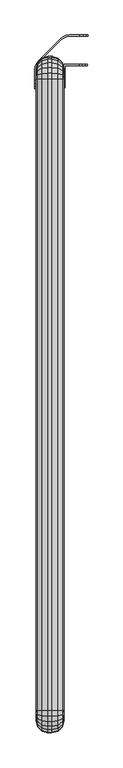
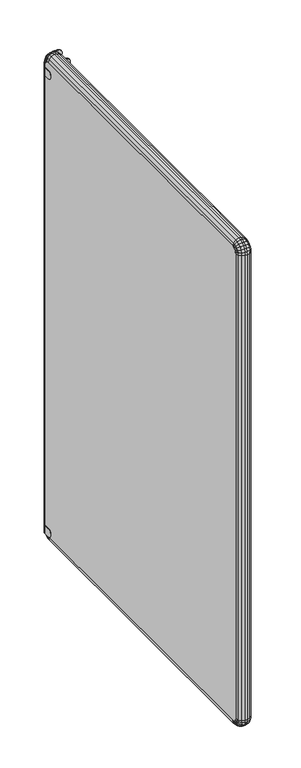
"""IFC4 building model written with IfcOpenShell, lengths in millimetres: furniture geometry."""

from ifc_helpers import new_model, si_unit, origin, place, context, project, spatial, triangles, source, transform, mapped, element, save


def furniture_b19002c7(model_context):
    return source(origin(), model_context, "Body", "Tessellation", [
        triangles([(730.399264, 1672.6846914, 1774.9999409), (730.399264, 1645.9347253, 1745.0000278), (730.399264, 1645.9347253, 1774.9999409), (730.399264, 1631.3106907, 1763.3380074), (730.399264, 1634.2077522, 1769.3520298), (730.399264, 1672.6846914, 1745.0000278), (730.399264, 1639.4266924, 1746.4849663), (730.399264, 1634.2077522, 1750.6479389), (730.399264, 1631.3106907, 1756.6619614), (730.399264, 1639.4266924, 1773.5150024), (757.14923, 1670.6847408, 1774.9999409), (757.14923, 1672.6846914, 1774.9999409), (732.3992873, 1670.6847408, 1774.9999409), (732.3992873, 1645.9347253, 1774.9999409), (757.14923, 1672.6846914, 1745.0000278), (771.7731921, 1672.6846914, 1763.3380074), (768.8762759, 1672.6846914, 1769.3520298), (763.657263, 1672.6846914, 1773.5150024), (771.7731921, 1672.6846914, 1756.6619614), (768.8762759, 1672.6846914, 1750.6479389), (763.657263, 1672.6846914, 1746.4849663), (757.14923, 1670.6847408, 1745.0000278), (771.7731921, 1670.6847408, 1763.3380074), (768.8762759, 1670.6847408, 1769.3520298), (732.3992873, 1670.6847408, 1745.0000278), (763.657263, 1670.6847408, 1746.4849663), (768.8762759, 1670.6847408, 1750.6479389), (771.7731921, 1670.6847408, 1756.6619614), (763.657263, 1670.6847408, 1773.5150024), (732.3992873, 1645.9347253, 1745.0000278), (732.3992873, 1631.3106907, 1763.3380074), (732.3992873, 1634.2077522, 1769.3520298), (732.3992873, 1639.4266924, 1773.5150024), (732.3992873, 1631.3106907, 1756.6619614), (732.3992873, 1634.2077522, 1750.6479389), (732.3992873, 1639.4266924, 1746.4849663), (730.399264, 1672.6846914, 80.0000042), (730.399264, 1645.9347253, 50.0000004), (730.399264, 1645.9347253, 80.0000042), (730.399264, 1631.3106907, 68.3379981), (730.399264, 1634.2077522, 74.3519978), (730.399264, 1672.6846914, 50.0000004), (730.399264, 1639.4266924, 51.4849979), (730.399264, 1634.2077522, 55.6479977), (730.399264, 1631.3106907, 61.662002), (730.399264, 1639.4266924, 78.5150022), (757.14923, 1670.6847408, 80.0000042), (757.14923, 1672.6846914, 80.0000042), (732.3992873, 1670.6847408, 80.0000042), (732.3992873, 1645.9347253, 80.0000042), (757.14923, 1672.6846914, 50.0000004), (771.7731921, 1672.6846914, 68.3379981), (768.8762759, 1672.6846914, 74.3519978), (763.657263, 1672.6846914, 78.5150022), (771.7731921, 1672.6846914, 61.662002), (768.8762759, 1672.6846914, 55.6479977), (763.657263, 1672.6846914, 51.4849979), (757.14923, 1670.6847408, 50.0000004), (771.7731921, 1670.6847408, 68.3379981), (768.8762759, 1670.6847408, 74.3519978), (732.3992873, 1670.6847408, 50.0000004), (763.657263, 1670.6847408, 51.4849979), (768.8762759, 1670.6847408, 55.6479977), (771.7731921, 1670.6847408, 61.662002), (763.657263, 1670.6847408, 78.5150022), (732.3992873, 1645.9347253, 50.0000004), (732.3992873, 1631.3106907, 68.3379981), (732.3992873, 1634.2077522, 74.3519978), (732.3992873, 1639.4266924, 78.5150022), (732.3992873, 1631.3106907, 61.662002), (732.3992873, 1634.2077522, 55.6479977), (732.3992873, 1639.4266924, 51.4849979), (728.3332564, 1721.3357189, 50.0000004), (729.1612582, 1719.3356956, 50.0000004), (723.1552294, 1717.3627056, 50.0000004), (723.9842486, 1715.362755, 50.0000004), (685.7213225, 1679.928726, 50.0000004), (687.7212004, 1679.0997068, 50.0000004), (683.7481871, 1673.9226972, 50.0000004), (735.191268, 1721.8327089, 50.0000004), (734.3622488, 1723.8327322, 50.0000004), (740.8332201, 1724.684715, 50.0000004), (741.6612219, 1722.6846918, 50.0000004), (758.5472552, 1724.684715, 50.0000004), (758.5472552, 1722.6846918, 50.0000004), (681.2512465, 1667.8927601, 50.0000004), (679.2512232, 1668.7217065, 50.0000004), (681.7483092, 1674.750699, 50.0000004), (678.3992403, 1662.2507353, 50.0000004), (680.3992636, 1661.4227335, 50.0000004), (678.3992403, 1644.5367002, 50.0000004), (680.3992636, 1644.5367002, 50.0000004), (740.8332201, 1724.684715, 80.0000042), (734.3622488, 1723.8327322, 80.0000042), (723.1552294, 1717.3627056, 80.0000042), (728.3332564, 1721.3357189, 80.0000042), (773.1712899, 1724.684715, 61.662002), (770.2753184, 1724.684715, 55.6479977), (773.1712899, 1724.684715, 68.3379981), (758.5472552, 1724.684715, 80.0000042), (770.2753184, 1724.684715, 74.3519978), (765.0552882, 1724.684715, 78.5150022), (765.0552882, 1724.684715, 51.4849979), (765.0552882, 1722.6846918, 51.4849979), (770.2753184, 1722.6846918, 55.6479977), (773.1712899, 1722.6846918, 61.662002), (773.1712899, 1722.6846918, 68.3379981), (770.2753184, 1722.6846918, 74.3519978), (765.0552882, 1722.6846918, 78.5150022), (758.5472552, 1722.6846918, 80.0000042), (741.6612219, 1722.6846918, 80.0000042), (723.9842486, 1715.362755, 80.0000042), (729.1612582, 1719.3356956, 80.0000042), (735.191268, 1721.8327089, 80.0000042), (687.7212004, 1679.0997068, 80.0000042), (680.3992636, 1661.4227335, 80.0000042), (681.2512465, 1667.8927601, 80.0000042), (683.7481871, 1673.9226972, 80.0000042), (680.3992636, 1629.9127382, 61.662002), (680.3992636, 1632.8097271, 55.6479977), (680.3992636, 1629.9127382, 68.3379981), (680.3992636, 1644.5367002, 80.0000042), (680.3992636, 1632.8097271, 74.3519978), (680.3992636, 1638.0287399, 78.5150022), (680.3992636, 1638.0287399, 51.4849979), (678.3992403, 1638.0287399, 51.4849979), (678.3992403, 1632.8097271, 55.6479977), (678.3992403, 1629.9127382, 61.662002), (678.3992403, 1629.9127382, 68.3379981), (678.3992403, 1632.8097271, 74.3519978), (678.3992403, 1638.0287399, 78.5150022), (678.3992403, 1644.5367002, 80.0000042), (678.3992403, 1662.2507353, 80.0000042), (685.7213225, 1679.928726, 80.0000042), (681.7483092, 1674.750699, 80.0000042), (679.2512232, 1668.7217065, 80.0000042), (728.3332564, 1721.3357189, 1745.0000278), (729.1612582, 1719.3356956, 1745.0000278), (723.1552294, 1717.3627056, 1745.0000278), (723.9842486, 1715.362755, 1745.0000278), (685.7213225, 1679.928726, 1745.0000278), (687.7212004, 1679.0997068, 1745.0000278), (683.7481871, 1673.9226972, 1745.0000278), (735.191268, 1721.8327089, 1745.0000278), (734.3622488, 1723.8327322, 1745.0000278), (740.8332201, 1724.684715, 1745.0000278), (741.6612219, 1722.6846918, 1745.0000278), (758.5472552, 1724.684715, 1745.0000278), (758.5472552, 1722.6846918, 1745.0000278), (681.2512465, 1667.8927601, 1745.0000278), (679.2512232, 1668.7217065, 1745.0000278), (681.7483092, 1674.750699, 1745.0000278), (678.3992403, 1662.2507353, 1745.0000278), (680.3992636, 1661.4227335, 1745.0000278), (678.3992403, 1644.5367002, 1745.0000278), (680.3992636, 1644.5367002, 1745.0000278), (740.8332201, 1724.684715, 1774.9999409), (734.3622488, 1723.8327322, 1774.9999409), (723.1552294, 1717.3627056, 1774.9999409), (728.3332564, 1721.3357189, 1774.9999409), (773.1712899, 1724.684715, 1756.6619614), (770.2753184, 1724.684715, 1750.6479389), (773.1712899, 1724.684715, 1763.3380074), (758.5472552, 1724.684715, 1774.9999409), (770.2753184, 1724.684715, 1769.3520298), (765.0552882, 1724.684715, 1773.5150024), (765.0552882, 1724.684715, 1746.4849663), (765.0552882, 1722.6846918, 1746.4849663), (770.2753184, 1722.6846918, 1750.6479389), (773.1712899, 1722.6846918, 1756.6619614), (773.1712899, 1722.6846918, 1763.3380074), (770.2753184, 1722.6846918, 1769.3520298), (765.0552882, 1722.6846918, 1773.5150024), (758.5472552, 1722.6846918, 1774.9999409), (741.6612219, 1722.6846918, 1774.9999409), (723.9842486, 1715.362755, 1774.9999409), (729.1612582, 1719.3356956, 1774.9999409), (735.191268, 1721.8327089, 1774.9999409), (687.7212004, 1679.0997068, 1774.9999409), (680.3992636, 1661.4227335, 1774.9999409), (681.2512465, 1667.8927601, 1774.9999409), (683.7481871, 1673.9226972, 1774.9999409), (680.3992636, 1629.9127382, 1756.6619614), (680.3992636, 1632.8097271, 1750.6479389), (680.3992636, 1629.9127382, 1763.3380074), (680.3992636, 1644.5367002, 1774.9999409), (680.3992636, 1632.8097271, 1769.3520298), (680.3992636, 1638.0287399, 1773.5150024), (680.3992636, 1638.0287399, 1746.4849663), (678.3992403, 1638.0287399, 1746.4849663), (678.3992403, 1632.8097271, 1750.6479389), (678.3992403, 1629.9127382, 1756.6619614), (678.3992403, 1629.9127382, 1763.3380074), (678.3992403, 1632.8097271, 1769.3520298), (678.3992403, 1638.0287399, 1773.5150024), (678.3992403, 1644.5367002, 1774.9999409), (678.3992403, 1662.2507353, 1774.9999409), (685.7213225, 1679.928726, 1774.9999409), (681.7483092, 1674.750699, 1774.9999409), (679.2512232, 1668.7217065, 1774.9999409)], [[1, 2, 3], [3, 2, 4], [3, 4, 5], [1, 6, 2], [2, 7, 8], [2, 8, 9], [2, 9, 4], [5, 10, 3], [11, 12, 13], [1, 13, 12], [3, 13, 1], [3, 14, 13], [6, 1, 15], [15, 1, 12], [15, 12, 16], [16, 12, 17], [17, 12, 18], [16, 19, 15], [15, 19, 20], [15, 20, 21], [13, 22, 11], [11, 22, 23], [11, 23, 24], [13, 25, 22], [22, 26, 27], [22, 27, 28], [22, 28, 23], [24, 29, 11], [25, 13, 30], [30, 13, 14], [30, 14, 31], [31, 14, 32], [32, 14, 33], [31, 34, 30], [30, 34, 35], [30, 35, 36], [15, 21, 22], [22, 21, 26], [26, 21, 20], [26, 20, 27], [27, 20, 19], [27, 19, 28], [28, 19, 16], [28, 16, 23], [23, 16, 17], [23, 17, 24], [24, 17, 18], [24, 18, 29], [29, 18, 11], [11, 18, 12], [30, 36, 2], [2, 36, 7], [7, 36, 35], [7, 35, 8], [8, 35, 34], [8, 34, 9], [9, 34, 31], [9, 31, 4], [4, 31, 32], [4, 32, 5], [5, 32, 33], [5, 33, 10], [10, 33, 3], [3, 33, 14], [2, 6, 25], [15, 25, 6], [25, 15, 22], [25, 30, 2], [37, 38, 39], [39, 38, 40], [39, 40, 41], [37, 42, 38], [38, 43, 44], [38, 44, 45], [38, 45, 40], [41, 46, 39], [47, 48, 49], [37, 49, 48], [39, 49, 37], [39, 50, 49], [42, 37, 51], [51, 37, 48], [51, 48, 52], [52, 48, 53], [53, 48, 54], [52, 55, 51], [51, 55, 56], [51, 56, 57], [49, 58, 47], [47, 58, 59], [47, 59, 60], [49, 61, 58], [58, 62, 63], [58, 63, 64], [58, 64, 59], [60, 65, 47], [61, 49, 66], [66, 49, 50], [66, 50, 67], [67, 50, 68], [68, 50, 69], [67, 70, 66], [66, 70, 71], [66, 71, 72], [51, 57, 58], [58, 57, 62], [62, 57, 56], [62, 56, 63], [63, 56, 55], [63, 55, 64], [64, 55, 52], [64, 52, 59], [59, 52, 53], [59, 53, 60], [60, 53, 54], [60, 54, 65], [65, 54, 47], [47, 54, 48], [66, 72, 38], [38, 72, 43], [43, 72, 71], [43, 71, 44], [44, 71, 70], [44, 70, 45], [45, 70, 67], [45, 67, 40], [40, 67, 68], [40, 68, 41], [41, 68, 69], [41, 69, 46], [46, 69, 39], [39, 69, 50], [38, 42, 61], [51, 61, 42], [61, 51, 58], [61, 66, 38], [73, 74, 75], [75, 74, 76], [75, 76, 77], [77, 76, 78], [77, 78, 79], [74, 73, 80], [80, 73, 81], [80, 81, 82], [80, 82, 83], [84, 83, 82], [83, 84, 85], [86, 87, 79], [79, 87, 88], [79, 88, 77], [87, 86, 89], [89, 86, 90], [89, 90, 91], [91, 90, 92], [93, 82, 94], [94, 82, 81], [94, 81, 73], [75, 95, 73], [73, 95, 96], [73, 96, 94], [82, 93, 84], [84, 93, 97], [84, 97, 98], [97, 93, 99], [99, 93, 100], [99, 100, 101], [101, 100, 102], [98, 103, 84], [85, 84, 104], [104, 84, 103], [104, 103, 98], [104, 98, 105], [105, 98, 97], [105, 97, 106], [106, 97, 99], [106, 99, 107], [107, 99, 101], [107, 101, 108], [108, 101, 102], [108, 102, 109], [109, 102, 100], [109, 100, 110], [83, 85, 111], [111, 85, 110], [110, 85, 109], [109, 85, 104], [109, 104, 105], [105, 106, 109], [109, 106, 107], [109, 107, 108], [112, 76, 113], [113, 76, 74], [113, 74, 80], [83, 111, 80], [80, 111, 114], [80, 114, 113], [78, 76, 115], [115, 76, 112], [116, 90, 117], [117, 90, 86], [117, 86, 79], [78, 115, 79], [79, 115, 118], [79, 118, 117], [90, 116, 92], [92, 116, 119], [92, 119, 120], [119, 116, 121], [121, 116, 122], [121, 122, 123], [123, 122, 124], [120, 125, 92], [91, 92, 126], [126, 92, 125], [126, 125, 120], [126, 120, 127], [127, 120, 119], [127, 119, 128], [128, 119, 121], [128, 121, 129], [129, 121, 123], [129, 123, 130], [130, 123, 124], [130, 124, 131], [131, 124, 122], [131, 122, 132], [89, 91, 133], [133, 91, 132], [132, 91, 131], [131, 91, 126], [131, 126, 127], [127, 128, 131], [131, 128, 129], [131, 129, 130], [134, 77, 135], [135, 77, 88], [135, 88, 87], [89, 133, 87], [87, 133, 136], [87, 136, 135], [75, 77, 95], [95, 77, 134], [94, 114, 93], [93, 114, 111], [93, 111, 100], [100, 111, 110], [114, 94, 96], [114, 96, 113], [113, 96, 95], [113, 95, 112], [134, 112, 95], [112, 134, 115], [115, 134, 118], [118, 134, 135], [118, 135, 136], [118, 136, 117], [117, 136, 133], [117, 133, 116], [132, 116, 133], [116, 132, 122], [137, 138, 139], [139, 138, 140], [139, 140, 141], [141, 140, 142], [141, 142, 143], [138, 137, 144], [144, 137, 145], [144, 145, 146], [144, 146, 147], [148, 147, 146], [147, 148, 149], [150, 151, 143], [143, 151, 152], [143, 152, 141], [151, 150, 153], [153, 150, 154], [153, 154, 155], [155, 154, 156], [157, 146, 158], [158, 146, 145], [158, 145, 137], [139, 159, 137], [137, 159, 160], [137, 160, 158], [146, 157, 148], [148, 157, 161], [148, 161, 162], [161, 157, 163], [163, 157, 164], [163, 164, 165], [165, 164, 166], [162, 167, 148], [149, 148, 168], [168, 148, 167], [168, 167, 162], [168, 162, 169], [169, 162, 161], [169, 161, 170], [170, 161, 163], [170, 163, 171], [171, 163, 165], [171, 165, 172], [172, 165, 166], [172, 166, 173], [173, 166, 164], [173, 164, 174], [147, 149, 175], [175, 149, 174], [174, 149, 173], [173, 149, 168], [173, 168, 169], [169, 170, 173], [173, 170, 171], [173, 171, 172], [176, 140, 177], [177, 140, 138], [177, 138, 144], [147, 175, 144], [144, 175, 178], [144, 178, 177], [142, 140, 179], [179, 140, 176], [180, 154, 181], [181, 154, 150], [181, 150, 143], [142, 179, 143], [143, 179, 182], [143, 182, 181], [154, 180, 156], [156, 180, 183], [156, 183, 184], [183, 180, 185], [185, 180, 186], [185, 186, 187], [187, 186, 188], [184, 189, 156], [155, 156, 190], [190, 156, 189], [190, 189, 184], [190, 184, 191], [191, 184, 183], [191, 183, 192], [192, 183, 185], [192, 185, 193], [193, 185, 187], [193, 187, 194], [194, 187, 188], [194, 188, 195], [195, 188, 186], [195, 186, 196], [153, 155, 197], [197, 155, 196], [196, 155, 195], [195, 155, 190], [195, 190, 191], [191, 192, 195], [195, 192, 193], [195, 193, 194], [198, 141, 199], [199, 141, 152], [199, 152, 151], [153, 197, 151], [151, 197, 200], [151, 200, 199], [139, 141, 159], [159, 141, 198], [158, 178, 157], [157, 178, 175], [157, 175, 164], [164, 175, 174], [178, 158, 160], [178, 160, 177], [177, 160, 159], [177, 159, 176], [198, 176, 159], [176, 198, 179], [179, 198, 182], [182, 198, 199], [182, 199, 200], [182, 200, 181], [181, 200, 197], [181, 197, 180], [196, 180, 197], [180, 196, 186]]),
        triangles([(702.3992289, 1686.6367468, 64.9999978), (708.3992987, 1686.6367468, 64.9999978), (702.3992289, 1685.2737486, 54.6470005), (708.3992987, 1685.2737486, 54.6470005), (702.3992289, 1681.2776989, 45.0000013), (708.3992987, 1681.2776989, 45.0000013), (702.3992289, 1674.9207468, 36.7160002), (708.3992987, 1674.9207468, 36.7160002), (702.3992289, 1666.6367321, 30.3590004), (708.3992987, 1666.6367321, 30.3590004), (702.3992289, 1656.9897192, 26.3630007), (708.3992987, 1656.9897192, 26.3630007), (702.3992289, 1646.6367174, 25.0000002), (708.3992987, 1646.6367174, 25.0000002), (691.3993189, 1683.6896883, 64.9999978), (691.3993189, 1682.4267566, 55.409999), (691.3993189, 1678.7247297, 46.4739983), (691.3993189, 1672.836717, 38.7999982), (691.3993189, 1665.1626941, 32.9119991), (691.3993189, 1656.226757, 29.2099994), (691.3993189, 1646.6367174, 27.9469996), (683.3463221, 1675.6366914, 64.9999978), (683.3463221, 1674.648743, 57.4940015), (683.3463221, 1671.7517542, 50.5000017), (683.3463221, 1667.1427332, 44.4940002), (683.3463221, 1661.1367044, 39.8850019), (683.3463221, 1654.1427272, 36.9879994), (683.3463221, 1646.6367174, 36.000001), (680.3992636, 1664.6367088, 64.9999978), (680.3992636, 1664.0237375, 60.340998), (680.3992636, 1661.4326893, 54.968002), (680.3992636, 1654.4347152, 48.914002), (680.3992636, 1646.6367174, 47.0000018), (727.4522055, 1675.6366914, 64.9999978), (730.399264, 1664.6367088, 64.9999978), (727.4522055, 1674.648743, 57.4940015), (730.399264, 1662.7227268, 57.2019999), (727.4522055, 1671.7517542, 50.5000017), (727.4522055, 1667.1427332, 44.4940002), (730.399264, 1656.6687359, 50.2039986), (727.4522055, 1661.1367044, 39.8850019), (727.4522055, 1654.1427272, 36.9879994), (730.399264, 1646.6936906, 47.0070008), (727.4522055, 1646.6367174, 36.000001), (719.3992087, 1683.6896883, 64.9999978), (719.3992087, 1682.4267566, 55.409999), (719.3992087, 1678.7247297, 46.4739983), (719.3992087, 1672.836717, 38.7999982), (719.3992087, 1665.1626941, 32.9119991), (719.3992087, 1656.226757, 29.2099994), (719.3992087, 1646.6367174, 27.9469996), (702.3992289, 1686.6367468, 1785.0000572), (708.3992987, 1686.6367468, 1785.0000572), (691.3993189, 1683.6896883, 1785.0000572), (683.3463221, 1675.6366914, 1785.0000572), (680.3992636, 1664.6367088, 1785.0000572), (727.4522055, 1675.6366914, 1785.0000572), (730.399264, 1664.6367088, 1785.0000572), (719.3992087, 1683.6896883, 1785.0000572), (702.3992289, 1646.6367174, 1824.9999413), (708.3992987, 1646.6367174, 1824.9999413), (702.3992289, 1656.9897192, 1823.6369431), (708.3992987, 1656.9897192, 1823.6369431), (702.3992289, 1666.6367321, 1819.640966), (708.3992987, 1666.6367321, 1819.640966), (702.3992289, 1674.9207468, 1813.2839413), (708.3992987, 1674.9207468, 1813.2839413), (702.3992289, 1681.2776989, 1804.9999992), (708.3992987, 1681.2776989, 1804.9999992), (702.3992289, 1685.2737486, 1795.353059), (708.3992987, 1685.2737486, 1795.353059), (691.3993189, 1646.6367174, 1822.0530281), (691.3993189, 1656.226757, 1820.7900238), (691.3993189, 1665.1626941, 1817.0889416), (691.3993189, 1672.836717, 1811.2000568), (691.3993189, 1678.7247297, 1803.5259613), (691.3993189, 1682.4267566, 1794.5900242), (683.3463221, 1646.6367174, 1814.0000313), (683.3463221, 1654.1427272, 1813.0120102), (683.3463221, 1661.1367044, 1810.1149487), (683.3463221, 1667.1427332, 1805.5059277), (683.3463221, 1671.7517542, 1799.5000443), (683.3463221, 1674.648743, 1792.5059944), (680.3992636, 1646.6367174, 1802.999976), (680.3992636, 1652.4976968, 1801.8889973), (680.3992636, 1660.1567497, 1796.6949829), (680.3992636, 1664.0237375, 1789.6589298), (727.4522055, 1646.6367174, 1814.0000313), (730.399264, 1646.6367174, 1802.999976), (727.4522055, 1654.1427272, 1813.0120102), (730.399264, 1654.4347152, 1801.085994), (727.4522055, 1661.1367044, 1810.1149487), (727.4522055, 1667.1427332, 1805.5059277), (730.399264, 1661.4326893, 1795.032003), (727.4522055, 1671.7517542, 1799.5000443), (727.4522055, 1674.648743, 1792.5059944), (730.399264, 1664.0237375, 1789.6589298), (719.3992087, 1646.6367174, 1822.0530281), (719.3992087, 1656.226757, 1820.7900238), (719.3992087, 1665.1626941, 1817.0889416), (719.3992087, 1672.836717, 1811.2000568), (719.3992087, 1678.7247297, 1803.5259613), (719.3992087, 1682.4267566, 1794.5900242), (702.3992289, 526.6367306, 1824.9999413), (708.3992987, 526.6367306, 1824.9999413), (691.3993189, 526.6367306, 1822.0530281), (683.3463221, 526.6367306, 1814.0000313), (680.3992636, 526.6367306, 1802.999976), (727.4522055, 526.6367306, 1814.0000313), (730.399264, 526.579721, 1802.9929996), (719.3992087, 526.6367306, 1822.0530281), (702.3992289, 486.6367376, 1785.0000572), (708.3992987, 486.6367376, 1785.0000572), (702.3992289, 487.9997358, 1795.353059), (708.3992987, 487.9997358, 1795.353059), (702.3992289, 491.9957128, 1804.9999992), (708.3992987, 491.9957128, 1804.9999992), (702.3992289, 498.3527376, 1813.2839413), (708.3992987, 498.3527376, 1813.2839413), (702.3992289, 506.636716, 1819.640966), (708.3992987, 506.636716, 1819.640966), (702.3992289, 516.2837289, 1823.6369431), (708.3992987, 516.2837289, 1823.6369431), (691.3993189, 489.5847408, 1785.0000572), (691.3993189, 490.8467277, 1794.5900242), (691.3993189, 494.5487183, 1803.5259613), (691.3993189, 500.436731, 1811.2000568), (691.3993189, 508.1107176, 1817.0889416), (691.3993189, 517.0467273, 1820.7900238), (683.3463221, 497.6367202, 1785.0000572), (683.3463221, 498.6247413, 1792.5059944), (683.3463221, 501.5217302, 1799.5000443), (683.3463221, 506.1307149, 1805.5059277), (683.3463221, 512.1367073, 1810.1149487), (683.3463221, 519.1307208, 1813.0120102), (680.3992636, 508.6367392, 1785.0000572), (680.3992636, 509.2497105, 1789.6589298), (680.3992636, 511.8407224, 1795.032003), (680.3992636, 518.8387328, 1801.085994), (727.4522055, 497.6367202, 1785.0000572), (730.399264, 508.6367392, 1785.0000572), (727.4522055, 498.6247413, 1792.5059944), (730.399264, 510.5507212, 1792.7979824), (727.4522055, 501.5217302, 1799.5000443), (727.4522055, 506.1307149, 1805.5059277), (730.399264, 516.6047122, 1799.7969738), (727.4522055, 512.1367073, 1810.1149487), (727.4522055, 519.1307208, 1813.0120102), (719.3992087, 489.5847408, 1785.0000572), (719.3992087, 490.8467277, 1794.5900242), (719.3992087, 494.5487183, 1803.5259613), (719.3992087, 500.436731, 1811.2000568), (719.3992087, 508.1107176, 1817.0889416), (719.3992087, 517.0467273, 1820.7900238), (702.3992289, 486.6367376, 64.9999978), (708.3992987, 486.6367376, 64.9999978), (691.3993189, 489.5847408, 64.9999978), (683.3463221, 497.6367202, 64.9999978), (680.3992636, 508.6367392, 64.9999978), (727.4522055, 497.6367202, 64.9999978), (730.399264, 508.6367392, 64.9999978), (719.3992087, 489.5847408, 64.9999978), (702.3992289, 526.6367306, 25.0000002), (708.3992987, 526.6367306, 25.0000002), (702.3992289, 516.2837289, 26.3630007), (708.3992987, 516.2837289, 26.3630007), (702.3992289, 506.636716, 30.3590004), (708.3992987, 506.636716, 30.3590004), (702.3992289, 498.3527376, 36.7160002), (708.3992987, 498.3527376, 36.7160002), (702.3992289, 491.9957128, 45.0000013), (708.3992987, 491.9957128, 45.0000013), (702.3992289, 487.9997358, 54.6470005), (708.3992987, 487.9997358, 54.6470005), (691.3993189, 526.6367306, 27.9469996), (691.3993189, 517.0467273, 29.2099994), (691.3993189, 508.1107176, 32.9119991), (691.3993189, 500.436731, 38.7999982), (691.3993189, 494.5487183, 46.4739983), (691.3993189, 490.8467277, 55.409999), (683.3463221, 526.6367306, 36.000001), (683.3463221, 519.1307208, 36.9879994), (683.3463221, 512.1367073, 39.8850019), (683.3463221, 506.1307149, 44.4940002), (683.3463221, 501.5217302, 50.5000017), (683.3463221, 498.6247413, 57.4940015), (680.3992636, 526.6367306, 47.0000018), (680.3992636, 521.9777127, 47.6130004), (680.3992636, 516.6047122, 50.2039986), (680.3992636, 510.5507212, 57.2019999), (727.4522055, 526.6367306, 36.000001), (730.399264, 526.6367306, 47.0000018), (727.4522055, 519.1307208, 36.9879994), (730.399264, 518.8387328, 48.914002), (727.4522055, 512.1367073, 39.8850019), (727.4522055, 506.1307149, 44.4940002), (730.399264, 511.8407224, 54.968002), (727.4522055, 501.5217302, 50.5000017), (727.4522055, 498.6247413, 57.4940015), (730.399264, 509.2497105, 60.340998), (719.3992087, 526.6367306, 27.9469996), (719.3992087, 517.0467273, 29.2099994), (719.3992087, 508.1107176, 32.9119991), (719.3992087, 500.436731, 38.7999982), (719.3992087, 494.5487183, 46.4739983), (719.3992087, 490.8467277, 55.409999)], [[1, 2, 3], [3, 2, 4], [3, 4, 5], [5, 4, 6], [5, 6, 7], [7, 6, 8], [7, 8, 9], [9, 8, 10], [9, 10, 11], [11, 10, 12], [11, 12, 13], [13, 12, 14], [16, 15, 1], [16, 1, 3], [17, 16, 3], [17, 3, 5], [18, 17, 5], [18, 5, 7], [19, 18, 7], [19, 7, 9], [20, 19, 9], [20, 9, 11], [21, 20, 11], [21, 11, 13], [23, 22, 15], [23, 15, 16], [24, 23, 16], [24, 16, 17], [25, 24, 17], [25, 17, 18], [26, 25, 18], [26, 18, 19], [27, 26, 19], [27, 19, 20], [28, 27, 20], [28, 20, 21], [30, 29, 22], [30, 22, 23], [31, 30, 23], [31, 23, 24], [31, 24, 25], [31, 25, 32], [32, 25, 26], [32, 26, 27], [32, 27, 33], [33, 27, 28], [34, 35, 36], [36, 35, 37], [36, 37, 38], [38, 37, 39], [39, 37, 40], [39, 40, 41], [41, 40, 42], [42, 40, 43], [42, 43, 44], [45, 34, 46], [46, 34, 36], [46, 36, 47], [47, 36, 38], [47, 38, 48], [48, 38, 39], [48, 39, 49], [49, 39, 41], [49, 41, 50], [50, 41, 42], [50, 42, 51], [51, 42, 44], [2, 45, 4], [4, 45, 46], [4, 46, 6], [6, 46, 47], [6, 47, 8], [8, 47, 48], [8, 48, 10], [10, 48, 49], [10, 49, 12], [12, 49, 50], [12, 50, 14], [14, 50, 51], [52, 53, 1], [1, 53, 2], [54, 52, 15], [15, 52, 1], [55, 54, 22], [22, 54, 15], [56, 55, 29], [29, 55, 22], [57, 58, 34], [34, 58, 35], [59, 57, 45], [45, 57, 34], [53, 59, 2], [2, 59, 45], [60, 61, 62], [62, 61, 63], [62, 63, 64], [64, 63, 65], [64, 65, 66], [66, 65, 67], [66, 67, 68], [68, 67, 69], [68, 69, 70], [70, 69, 71], [70, 71, 52], [52, 71, 53], [73, 72, 60], [73, 60, 62], [74, 73, 62], [74, 62, 64], [75, 74, 64], [75, 64, 66], [76, 75, 66], [76, 66, 68], [77, 76, 68], [77, 68, 70], [54, 77, 70], [54, 70, 52], [79, 78, 72], [79, 72, 73], [80, 79, 73], [80, 73, 74], [81, 80, 74], [81, 74, 75], [82, 81, 75], [82, 75, 76], [83, 82, 76], [83, 76, 77], [55, 83, 77], [55, 77, 54], [85, 84, 78], [85, 78, 79], [85, 79, 80], [85, 80, 86], [86, 80, 81], [86, 81, 82], [86, 82, 87], [87, 82, 83], [56, 87, 83], [56, 83, 55], [88, 89, 90], [90, 89, 91], [90, 91, 92], [92, 91, 93], [93, 91, 94], [93, 94, 95], [95, 94, 96], [96, 94, 97], [96, 97, 57], [57, 97, 58], [98, 88, 99], [99, 88, 90], [99, 90, 100], [100, 90, 92], [100, 92, 101], [101, 92, 93], [101, 93, 102], [102, 93, 95], [102, 95, 103], [103, 95, 96], [103, 96, 59], [59, 96, 57], [61, 98, 63], [63, 98, 99], [63, 99, 65], [65, 99, 100], [65, 100, 67], [67, 100, 101], [67, 101, 69], [69, 101, 102], [69, 102, 71], [71, 102, 103], [71, 103, 53], [53, 103, 59], [104, 105, 60], [60, 105, 61], [106, 104, 72], [72, 104, 60], [107, 106, 78], [78, 106, 72], [108, 107, 84], [84, 107, 78], [88, 109, 110], [88, 110, 89], [111, 109, 98], [98, 109, 88], [105, 111, 61], [61, 111, 98], [112, 113, 114], [114, 113, 115], [114, 115, 116], [116, 115, 117], [116, 117, 118], [118, 117, 119], [118, 119, 120], [120, 119, 121], [120, 121, 122], [122, 121, 123], [122, 123, 104], [104, 123, 105], [125, 124, 112], [125, 112, 114], [126, 125, 114], [126, 114, 116], [127, 126, 116], [127, 116, 118], [128, 127, 118], [128, 118, 120], [129, 128, 120], [129, 120, 122], [106, 129, 122], [106, 122, 104], [131, 130, 124], [131, 124, 125], [132, 131, 125], [132, 125, 126], [133, 132, 126], [133, 126, 127], [134, 133, 127], [134, 127, 128], [135, 134, 128], [135, 128, 129], [107, 135, 129], [107, 129, 106], [137, 136, 130], [137, 130, 131], [138, 137, 131], [138, 131, 132], [138, 132, 133], [138, 133, 139], [139, 133, 134], [139, 134, 135], [139, 135, 108], [108, 135, 107], [140, 141, 142], [142, 141, 143], [142, 143, 144], [144, 143, 145], [145, 143, 146], [145, 146, 147], [147, 146, 148], [148, 146, 110], [148, 110, 109], [149, 140, 150], [150, 140, 142], [150, 142, 151], [151, 142, 144], [151, 144, 152], [152, 144, 145], [152, 145, 153], [153, 145, 147], [153, 147, 154], [154, 147, 148], [154, 148, 111], [111, 148, 109], [113, 149, 115], [115, 149, 150], [115, 150, 117], [117, 150, 151], [117, 151, 119], [119, 151, 152], [119, 152, 121], [121, 152, 153], [121, 153, 123], [123, 153, 154], [123, 154, 105], [105, 154, 111], [155, 156, 112], [112, 156, 113], [157, 155, 124], [124, 155, 112], [158, 157, 130], [130, 157, 124], [159, 158, 136], [136, 158, 130], [160, 161, 140], [140, 161, 141], [162, 160, 149], [149, 160, 140], [156, 162, 113], [113, 162, 149], [163, 164, 165], [165, 164, 166], [165, 166, 167], [167, 166, 168], [167, 168, 169], [169, 168, 170], [169, 170, 171], [171, 170, 172], [171, 172, 173], [173, 172, 174], [173, 174, 155], [155, 174, 156], [176, 175, 163], [176, 163, 165], [177, 176, 165], [177, 165, 167], [178, 177, 167], [178, 167, 169], [179, 178, 169], [179, 169, 171], [180, 179, 171], [180, 171, 173], [157, 180, 173], [157, 173, 155], [182, 181, 175], [182, 175, 176], [183, 182, 176], [183, 176, 177], [184, 183, 177], [184, 177, 178], [185, 184, 178], [185, 178, 179], [186, 185, 179], [186, 179, 180], [158, 186, 180], [158, 180, 157], [188, 187, 181], [188, 181, 182], [189, 188, 182], [189, 182, 183], [189, 183, 184], [189, 184, 190], [190, 184, 185], [190, 185, 186], [190, 186, 159], [159, 186, 158], [191, 192, 193], [193, 192, 194], [193, 194, 195], [195, 194, 196], [196, 194, 197], [196, 197, 198], [198, 197, 199], [199, 197, 200], [199, 200, 160], [160, 200, 161], [201, 191, 202], [202, 191, 193], [202, 193, 203], [203, 193, 195], [203, 195, 204], [204, 195, 196], [204, 196, 205], [205, 196, 198], [205, 198, 206], [206, 198, 199], [206, 199, 162], [162, 199, 160], [164, 201, 166], [166, 201, 202], [166, 202, 168], [168, 202, 203], [168, 203, 170], [170, 203, 204], [170, 204, 172], [172, 204, 205], [172, 205, 174], [174, 205, 206], [174, 206, 156], [156, 206, 162], [13, 14, 163], [163, 14, 164], [21, 13, 175], [175, 13, 163], [28, 21, 181], [181, 21, 175], [33, 28, 187], [187, 28, 181], [187, 108, 33], [33, 108, 84], [33, 84, 29], [29, 84, 56], [56, 84, 87], [87, 84, 86], [86, 84, 85], [187, 188, 159], [187, 159, 136], [187, 136, 108], [108, 136, 139], [139, 136, 138], [138, 136, 137], [188, 189, 159], [159, 189, 190], [29, 30, 33], [33, 30, 31], [31, 32, 33], [43, 40, 37], [43, 37, 35], [43, 35, 58], [43, 58, 89], [89, 58, 97], [89, 97, 94], [89, 94, 91], [43, 89, 192], [192, 89, 110], [192, 110, 161], [161, 110, 141], [141, 110, 146], [141, 146, 143], [161, 200, 197], [161, 197, 194], [161, 194, 192], [191, 44, 43], [191, 43, 192], [51, 44, 201], [201, 44, 191], [14, 51, 164], [164, 51, 201]]),
    ])


if __name__ == "__main__":
    model = new_model("IFC4")
    model_context = context("Model", 3, world=origin())
    ifc_project = project(units=[si_unit("LENGTHUNIT", "METRE", prefix="MILLI")], contexts=[model_context])
    site = spatial("IfcSite", under=ifc_project)
    building = spatial("IfcBuilding", under=site)
    placement = place(None, origin())
    furniture_shape = furniture_b19002c7(model_context)
    element("IfcFurniture", 1, at=placement, inside=building, context=model_context, shape_type="MappedRepresentation", body=[
        mapped(furniture_shape, transform((0.0, 0.0, 0.0), x_axis=(1.0, 0.0, 0.0), y_axis=(0.0, 1.0, 0.0), z_axis=(0.0, 0.0, 1.0))),
    ])
    save(model, "model.ifc")
